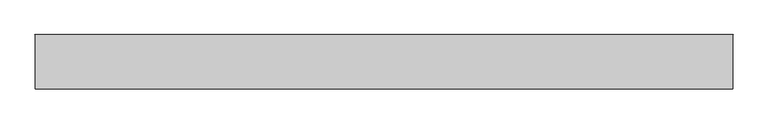
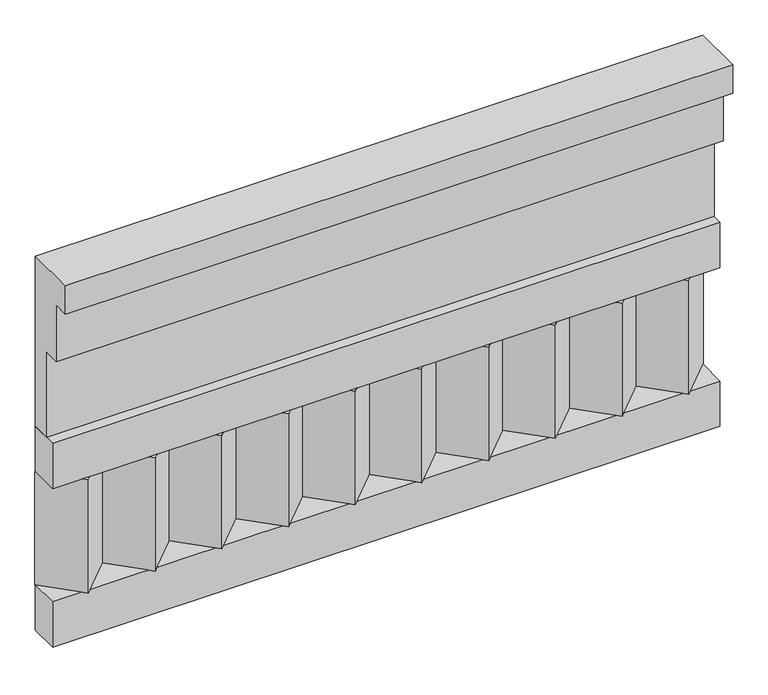
"""IFC4 building model written with IfcOpenShell, lengths in millimetres: railing geometry."""

import ifcopenshell
import ifcopenshell.guid

model = None  # the IFC model being written
_history = None  # IfcOwnerHistory: only IFC2X3 demands one
_inside = {}  # id of a spatial element -> (the spatial element, [elements in it])
_under = {}  # id of a project, library or spatial element -> (it, [spatial elements below it])
_declared = {}  # id of a project -> (the project, [libraries it declares])
_typed = {}  # id of a type object -> (the type object, [elements of that type])
_made_of = {}  # id of a material, layer set ... -> (it, [elements and type objects made of it])


def new_model(schema):
    """Start an empty IFC model of exactly this schema.

    Asked for "IFC4X3", IfcOpenShell would pick the latest addendum, in which some entities
    have other attributes; the version numbers below select the first issue.
    IFC2X3 requires an IfcOwnerHistory on every rooted entity: one is made here for all.
    """
    global model, _history
    if schema == "IFC4X3":
        model = ifcopenshell.file(schema_version=(4, 3, 0, 0))
    else:
        model = ifcopenshell.file(schema=schema)
    _inside.clear()
    _under.clear()
    _declared.clear()
    _typed.clear()
    _made_of.clear()
    _history = None
    if model.schema == "IFC2X3":
        org = make("IfcOrganization", Name="unknown")
        user = make(
            "IfcPersonAndOrganization",
            ThePerson=make("IfcPerson", FamilyName="unknown"),
            TheOrganization=org,
        )
        app = make(
            "IfcApplication",
            ApplicationDeveloper=org,
            Version="unknown",
            ApplicationFullName="unknown",
            ApplicationIdentifier="unknown",
        )
        _history = make(
            "IfcOwnerHistory",
            OwningUser=user,
            OwningApplication=app,
            ChangeAction="ADDED",
            CreationDate=0,
        )
    return model


def make(cls, **values):
    """One entity of the class cls with the attributes given. An attribute that is None is left unset."""
    return model.create_entity(
        cls, **{name: value for name, value in values.items() if value is not None}
    )


def rooted(cls, **values):
    """An entity with a GlobalId (a new one), such as an element, a storey or a relation."""
    return make(cls, GlobalId=ifcopenshell.guid.new(), OwnerHistory=_history, **values)


def si_unit(unit_type, name, prefix=None):
    """IfcSIUnit, for example si_unit("LENGTHUNIT", "METRE", prefix="MILLI")."""
    return make("IfcSIUnit", UnitType=unit_type, Prefix=prefix, Name=name)


def assignment(units):
    """IfcUnitAssignment: the units of a project."""
    return None if units is None else make("IfcUnitAssignment", Units=units)


def point(xyz):
    """IfcCartesianPoint."""
    return None if xyz is None else make("IfcCartesianPoint", Coordinates=xyz)


def direction(xyz):
    """IfcDirection."""
    return None if xyz is None else make("IfcDirection", DirectionRatios=xyz)


def frame(location, z_axis=None, x_axis=None):
    """IfcAxis2Placement3D, a coordinate frame: its origin and axes. An axis left out is left unset."""
    return make(
        "IfcAxis2Placement3D",
        Location=point(location),
        Axis=direction(z_axis),
        RefDirection=direction(x_axis),
    )


def origin():
    """The frame at (0, 0, 0) with its axes left unset."""
    return frame((0.0, 0.0, 0.0))


def place(relative_to, where):
    """IfcLocalPlacement: puts the frame where relative to a parent placement (None: the world)."""
    return make(
        "IfcLocalPlacement", PlacementRelTo=relative_to, RelativePlacement=where
    )


def context(
    kind, dimensions, precision=None, world=None, true_north=None, identifier=None
):
    """IfcGeometricRepresentationContext, for example the 3D "Model" context."""
    return make(
        "IfcGeometricRepresentationContext",
        ContextIdentifier=identifier,
        ContextType=kind,
        CoordinateSpaceDimension=dimensions,
        Precision=precision,
        WorldCoordinateSystem=world,
        TrueNorth=true_north,
    )


def project(units=None, contexts=None):
    """IfcProject with its units and contexts."""
    return rooted(
        "IfcProject",
        Name="project",
        RepresentationContexts=contexts,
        UnitsInContext=assignment(units),
    )


def spatial(cls, under=None, at=None, **own):
    """A site, building, storey or space (cls), placed at a placement, below another one or the project."""
    s = rooted(cls, ObjectPlacement=at, **own)
    if under is not None:
        _under.setdefault(under.id(), (under, []))[1].append(s)
    return s


def polyline(points):
    """IfcPolyline through the points."""
    return make("IfcPolyline", Points=[point(p) for p in points])


def outline(outer, holes=None, kind="AREA"):
    """IfcArbitraryClosedProfileDef: a profile drawn as a closed curve; with holes, ...WithVoids."""
    if holes is None:
        return make("IfcArbitraryClosedProfileDef", ProfileType=kind, OuterCurve=outer)
    return make(
        "IfcArbitraryProfileDefWithVoids",
        ProfileType=kind,
        OuterCurve=outer,
        InnerCurves=holes,
    )


def extrude(swept, where, along, depth):
    """IfcExtrudedAreaSolid: the profile swept, set in the frame where, extruded along a direction by depth."""
    return make(
        "IfcExtrudedAreaSolid",
        SweptArea=swept,
        Position=where,
        ExtrudedDirection=direction(along),
        Depth=depth,
    )


def shape(context_of_items, identifier, shape_type, items):
    """IfcShapeRepresentation: the items that make up one representation, for example the "Body"."""
    return make(
        "IfcShapeRepresentation",
        ContextOfItems=context_of_items,
        RepresentationIdentifier=identifier,
        RepresentationType=shape_type,
        Items=items,
    )


def source(mapping_origin, context_of_items, identifier, shape_type, items):
    """IfcRepresentationMap: a shape defined once, which mapped items show again and again."""
    return make(
        "IfcRepresentationMap",
        MappingOrigin=mapping_origin,
        MappedRepresentation=shape(context_of_items, identifier, shape_type, items),
    )


def transform(
    local_origin,
    x_axis=None,
    y_axis=None,
    z_axis=None,
    scale=None,
    scale2=None,
    scale3=None,
    uniform=True,
):
    """IfcCartesianTransformationOperator3D, or its non-uniform kind. x_axis, y_axis, z_axis: its Axis1, 2, 3."""
    if uniform:
        return make(
            "IfcCartesianTransformationOperator3D",
            Axis1=direction(x_axis),
            Axis2=direction(y_axis),
            LocalOrigin=point(local_origin),
            Scale=scale,
            Axis3=direction(z_axis),
        )
    return make(
        "IfcCartesianTransformationOperator3DnonUniform",
        Axis1=direction(x_axis),
        Axis2=direction(y_axis),
        LocalOrigin=point(local_origin),
        Scale=scale,
        Axis3=direction(z_axis),
        Scale2=scale2,
        Scale3=scale3,
    )


def mapped(mapping_source, mapping_target):
    """IfcMappedItem: shows the shape of a source again, moved by a transform."""
    return make(
        "IfcMappedItem", MappingSource=mapping_source, MappingTarget=mapping_target
    )


def made_of(thing, what):
    """Note that an element or type object is made of a material, layer set ...; save() writes the relation."""
    if what is not None:
        _made_of.setdefault(what.id(), (what, []))[1].append(thing)
    return thing


def element(
    cls,
    number,
    at=None,
    inside=None,
    cuts=None,
    type_object=None,
    material=None,
    context=None,
    identifier="Body",
    shape_type=None,
    held_by="IfcProductDefinitionShape",
    body=None,
    shapes=None,
    **own,
):
    """One element of the class cls, such as IfcWall. Its Tag is "e" and its number.

    at: its placement. inside: the storey or other place that contains it. cuts: it is an
    opening in that element (IfcRelVoidsElement). A single representation is given by context,
    identifier, shape_type and body (its items); several are given by shapes. held_by: the class
    of the entity that holds the representations. save() writes the other relations.
    """
    e = rooted(cls, Tag="e%d" % number, ObjectPlacement=at, **own)
    if body is not None:
        shapes = [shape(context, identifier, shape_type, body)]
    if shapes is not None:
        e.Representation = make(held_by, Representations=shapes)
    if inside is not None:
        _inside.setdefault(inside.id(), (inside, []))[1].append(e)
    if cuts is not None:
        rooted(
            "IfcRelVoidsElement", RelatingBuildingElement=cuts, RelatedOpeningElement=e
        )
    if type_object is not None:
        _typed.setdefault(type_object.id(), (type_object, []))[1].append(e)
    return made_of(e, material)


def aggregate(whole, parts):
    """IfcRelAggregates: a whole, such as a stair, and the parts it consists of."""
    return rooted("IfcRelAggregates", RelatingObject=whole, RelatedObjects=parts)


def save(model, path):
    """Write the relations noted so far, then the file.

    IfcRelAggregates (storeys below a building ...), IfcRelContainedInSpatialStructure (elements
    in a storey), IfcRelDefinesByType, IfcRelAssociatesMaterial and IfcRelDeclares: one each for
    every whole, place, type object, material and project.
    """
    for whole, parts in _under.values():
        aggregate(whole, parts)
    for where, things in _inside.values():
        rooted(
            "IfcRelContainedInSpatialStructure",
            RelatedElements=things,
            RelatingStructure=where,
        )
    for kind, things in _typed.values():
        rooted("IfcRelDefinesByType", RelatedObjects=things, RelatingType=kind)
    for what, things in _made_of.values():
        rooted("IfcRelAssociatesMaterial", RelatedObjects=things, RelatingMaterial=what)
    for by, libraries in _declared.values():
        rooted("IfcRelDeclares", RelatingContext=by, RelatedDefinitions=libraries)
    model.write(path)


def railing_a6e1f881(model_context):
    return source(origin(), model_context, "Body", "SweptSolid", [
        extrude(outline(polyline([(-16816.8920513, 18500.0), (-16816.8920513, 18050.0), (-16866.8920513, 18050.0), (-16866.8920513, 18275.0), (-16906.8920513, 18275.0), (-16906.8920513, 18425.0), (-16946.8920513, 18425.0), (-16946.8920513, 18500.0), (-16816.8920513, 18500.0)])), frame((26190.0112841, 0.0, 0.0), z_axis=(1.0, 0.0, 0.0), x_axis=(0.0, 1.0, 0.0)), (0.0, 0.0, 1.0), 1670.0),
        extrude(outline(polyline([(26190.0112841, -16891.8920513), (26190.0112841, -16816.8920513), (27860.0112841, -16816.8920513), (27860.0112841, -16891.8920513), (26190.0112841, -16891.8920513)])), frame((0.0, 0.0, 17930.0), z_axis=(0.0, 0.0, 1.0), x_axis=(1.0, 0.0, 0.0)), (0.0, 0.0, 1.0), 120.0),
        extrude(outline(polyline([(26190.0112841, -16891.8920513), (26190.0112841, -16816.8920513), (27860.0112841, -16816.8920513), (27860.0112841, -16891.8920513), (26190.0112841, -16891.8920513)])), frame((0.0, 0.0, 17510.0), z_axis=(0.0, 0.0, 1.0), x_axis=(1.0, 0.0, 0.0)), (0.0, 0.0, 1.0), 120.0),
        extrude(outline(polyline([(27776.5112841, -16901.7448651), (27691.6584704, -16816.8920513), (27861.3640978, -16816.8920513), (27776.5112841, -16901.7448651)])), frame((0.0, 0.0, 17630.0), z_axis=(0.0, 0.0, 1.0), x_axis=(1.0, 0.0, 0.0)), (0.0, 0.0, 1.0), 300.0),
        extrude(outline(polyline([(27609.5112841, -16901.7448651), (27524.6584704, -16816.8920513), (27694.3640978, -16816.8920513), (27609.5112841, -16901.7448651)])), frame((0.0, 0.0, 17630.0), z_axis=(0.0, 0.0, 1.0), x_axis=(1.0, 0.0, 0.0)), (0.0, 0.0, 1.0), 300.0),
        extrude(outline(polyline([(27442.5112841, -16901.7448651), (27357.6584704, -16816.8920513), (27527.3640978, -16816.8920513), (27442.5112841, -16901.7448651)])), frame((0.0, 0.0, 17630.0), z_axis=(0.0, 0.0, 1.0), x_axis=(1.0, 0.0, 0.0)), (0.0, 0.0, 1.0), 300.0),
        extrude(outline(polyline([(27275.5112841, -16901.7448651), (27190.6584704, -16816.8920513), (27360.3640978, -16816.8920513), (27275.5112841, -16901.7448651)])), frame((0.0, 0.0, 17630.0), z_axis=(0.0, 0.0, 1.0), x_axis=(1.0, 0.0, 0.0)), (0.0, 0.0, 1.0), 300.0),
        extrude(outline(polyline([(27108.5112841, -16901.7448651), (27023.6584704, -16816.8920513), (27193.3640978, -16816.8920513), (27108.5112841, -16901.7448651)])), frame((0.0, 0.0, 17630.0), z_axis=(0.0, 0.0, 1.0), x_axis=(1.0, 0.0, 0.0)), (0.0, 0.0, 1.0), 300.0),
        extrude(outline(polyline([(26941.5112841, -16901.7448651), (26856.6584704, -16816.8920513), (27026.3640978, -16816.8920513), (26941.5112841, -16901.7448651)])), frame((0.0, 0.0, 17630.0), z_axis=(0.0, 0.0, 1.0), x_axis=(1.0, 0.0, 0.0)), (0.0, 0.0, 1.0), 300.0),
        extrude(outline(polyline([(26774.5112841, -16901.7448651), (26689.6584704, -16816.8920513), (26859.3640978, -16816.8920513), (26774.5112841, -16901.7448651)])), frame((0.0, 0.0, 17630.0), z_axis=(0.0, 0.0, 1.0), x_axis=(1.0, 0.0, 0.0)), (0.0, 0.0, 1.0), 300.0),
        extrude(outline(polyline([(26607.5112841, -16901.7448651), (26522.6584704, -16816.8920513), (26692.3640978, -16816.8920513), (26607.5112841, -16901.7448651)])), frame((0.0, 0.0, 17630.0), z_axis=(0.0, 0.0, 1.0), x_axis=(1.0, 0.0, 0.0)), (0.0, 0.0, 1.0), 300.0),
        extrude(outline(polyline([(26440.5112841, -16901.7448651), (26355.6584704, -16816.8920513), (26525.3640978, -16816.8920513), (26440.5112841, -16901.7448651)])), frame((0.0, 0.0, 17630.0), z_axis=(0.0, 0.0, 1.0), x_axis=(1.0, 0.0, 0.0)), (0.0, 0.0, 1.0), 300.0),
        extrude(outline(polyline([(26273.5112841, -16901.7448651), (26188.6584704, -16816.8920513), (26358.3640978, -16816.8920513), (26273.5112841, -16901.7448651)])), frame((0.0, 0.0, 17630.0), z_axis=(0.0, 0.0, 1.0), x_axis=(1.0, 0.0, 0.0)), (0.0, 0.0, 1.0), 300.0),
    ])


if __name__ == "__main__":
    model = new_model("IFC4")
    model_context = context("Model", 3, world=origin())
    ifc_project = project(units=[si_unit("LENGTHUNIT", "METRE", prefix="MILLI")], contexts=[model_context])
    site = spatial("IfcSite", under=ifc_project)
    building = spatial("IfcBuilding", under=site)
    placement = place(None, origin())
    railing_shape = railing_a6e1f881(model_context)
    element("IfcRailing", 1, at=placement, inside=building, context=model_context, shape_type="MappedRepresentation", body=[
        mapped(railing_shape, transform((0.0, 0.0, 0.0), x_axis=(1.0, 0.0, 0.0), y_axis=(0.0, 1.0, 0.0), z_axis=(0.0, 0.0, 1.0))),
    ])
    save(model, "model.ifc")
